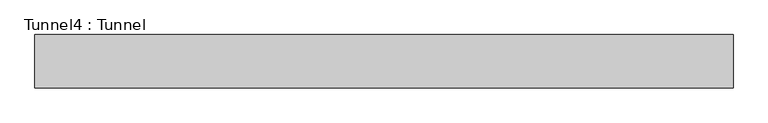
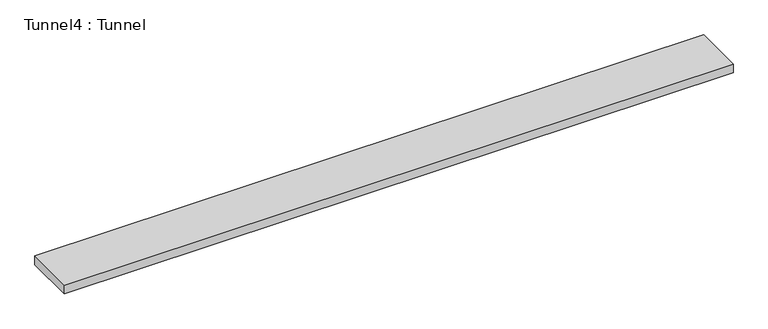
"""IFC4 building model written with IfcOpenShell, lengths in millimetres: proxy geometry, Tunnel4 : Tunnel."""

import ifcopenshell
import ifcopenshell.guid

model = None  # the IFC model being written
_history = None  # IfcOwnerHistory: only IFC2X3 demands one
_inside = {}  # id of a spatial element -> (the spatial element, [elements in it])
_under = {}  # id of a project, library or spatial element -> (it, [spatial elements below it])
_declared = {}  # id of a project -> (the project, [libraries it declares])
_typed = {}  # id of a type object -> (the type object, [elements of that type])
_made_of = {}  # id of a material, layer set ... -> (it, [elements and type objects made of it])


def new_model(schema):
    """Start an empty IFC model of exactly this schema.

    Asked for "IFC4X3", IfcOpenShell would pick the latest addendum, in which some entities
    have other attributes; the version numbers below select the first issue.
    IFC2X3 requires an IfcOwnerHistory on every rooted entity: one is made here for all.
    """
    global model, _history
    if schema == "IFC4X3":
        model = ifcopenshell.file(schema_version=(4, 3, 0, 0))
    else:
        model = ifcopenshell.file(schema=schema)
    _inside.clear()
    _under.clear()
    _declared.clear()
    _typed.clear()
    _made_of.clear()
    _history = None
    if model.schema == "IFC2X3":
        org = make("IfcOrganization", Name="unknown")
        user = make(
            "IfcPersonAndOrganization",
            ThePerson=make("IfcPerson", FamilyName="unknown"),
            TheOrganization=org,
        )
        app = make(
            "IfcApplication",
            ApplicationDeveloper=org,
            Version="unknown",
            ApplicationFullName="unknown",
            ApplicationIdentifier="unknown",
        )
        _history = make(
            "IfcOwnerHistory",
            OwningUser=user,
            OwningApplication=app,
            ChangeAction="ADDED",
            CreationDate=0,
        )
    return model


def make(cls, **values):
    """One entity of the class cls with the attributes given. An attribute that is None is left unset."""
    return model.create_entity(
        cls, **{name: value for name, value in values.items() if value is not None}
    )


def rooted(cls, **values):
    """An entity with a GlobalId (a new one), such as an element, a storey or a relation."""
    return make(cls, GlobalId=ifcopenshell.guid.new(), OwnerHistory=_history, **values)


def si_unit(unit_type, name, prefix=None):
    """IfcSIUnit, for example si_unit("LENGTHUNIT", "METRE", prefix="MILLI")."""
    return make("IfcSIUnit", UnitType=unit_type, Prefix=prefix, Name=name)


def assignment(units):
    """IfcUnitAssignment: the units of a project."""
    return None if units is None else make("IfcUnitAssignment", Units=units)


def point(xyz):
    """IfcCartesianPoint."""
    return None if xyz is None else make("IfcCartesianPoint", Coordinates=xyz)


def direction(xyz):
    """IfcDirection."""
    return None if xyz is None else make("IfcDirection", DirectionRatios=xyz)


def frame(location, z_axis=None, x_axis=None):
    """IfcAxis2Placement3D, a coordinate frame: its origin and axes. An axis left out is left unset."""
    return make(
        "IfcAxis2Placement3D",
        Location=point(location),
        Axis=direction(z_axis),
        RefDirection=direction(x_axis),
    )


def origin():
    """The frame at (0, 0, 0) with its axes left unset."""
    return frame((0.0, 0.0, 0.0))


def place(relative_to, where):
    """IfcLocalPlacement: puts the frame where relative to a parent placement (None: the world)."""
    return make(
        "IfcLocalPlacement", PlacementRelTo=relative_to, RelativePlacement=where
    )


def context(
    kind, dimensions, precision=None, world=None, true_north=None, identifier=None
):
    """IfcGeometricRepresentationContext, for example the 3D "Model" context."""
    return make(
        "IfcGeometricRepresentationContext",
        ContextIdentifier=identifier,
        ContextType=kind,
        CoordinateSpaceDimension=dimensions,
        Precision=precision,
        WorldCoordinateSystem=world,
        TrueNorth=true_north,
    )


def project(units=None, contexts=None):
    """IfcProject with its units and contexts."""
    return rooted(
        "IfcProject",
        Name="project",
        RepresentationContexts=contexts,
        UnitsInContext=assignment(units),
    )


def spatial(cls, under=None, at=None, **own):
    """A site, building, storey or space (cls), placed at a placement, below another one or the project."""
    s = rooted(cls, ObjectPlacement=at, **own)
    if under is not None:
        _under.setdefault(under.id(), (under, []))[1].append(s)
    return s


def polyline(points):
    """IfcPolyline through the points."""
    return make("IfcPolyline", Points=[point(p) for p in points])


def outline(outer, holes=None, kind="AREA"):
    """IfcArbitraryClosedProfileDef: a profile drawn as a closed curve; with holes, ...WithVoids."""
    if holes is None:
        return make("IfcArbitraryClosedProfileDef", ProfileType=kind, OuterCurve=outer)
    return make(
        "IfcArbitraryProfileDefWithVoids",
        ProfileType=kind,
        OuterCurve=outer,
        InnerCurves=holes,
    )


def extrude(swept, where, along, depth):
    """IfcExtrudedAreaSolid: the profile swept, set in the frame where, extruded along a direction by depth."""
    return make(
        "IfcExtrudedAreaSolid",
        SweptArea=swept,
        Position=where,
        ExtrudedDirection=direction(along),
        Depth=depth,
    )


def shape(context_of_items, identifier, shape_type, items):
    """IfcShapeRepresentation: the items that make up one representation, for example the "Body"."""
    return make(
        "IfcShapeRepresentation",
        ContextOfItems=context_of_items,
        RepresentationIdentifier=identifier,
        RepresentationType=shape_type,
        Items=items,
    )


def source(mapping_origin, context_of_items, identifier, shape_type, items):
    """IfcRepresentationMap: a shape defined once, which mapped items show again and again."""
    return make(
        "IfcRepresentationMap",
        MappingOrigin=mapping_origin,
        MappedRepresentation=shape(context_of_items, identifier, shape_type, items),
    )


def transform(
    local_origin,
    x_axis=None,
    y_axis=None,
    z_axis=None,
    scale=None,
    scale2=None,
    scale3=None,
    uniform=True,
):
    """IfcCartesianTransformationOperator3D, or its non-uniform kind. x_axis, y_axis, z_axis: its Axis1, 2, 3."""
    if uniform:
        return make(
            "IfcCartesianTransformationOperator3D",
            Axis1=direction(x_axis),
            Axis2=direction(y_axis),
            LocalOrigin=point(local_origin),
            Scale=scale,
            Axis3=direction(z_axis),
        )
    return make(
        "IfcCartesianTransformationOperator3DnonUniform",
        Axis1=direction(x_axis),
        Axis2=direction(y_axis),
        LocalOrigin=point(local_origin),
        Scale=scale,
        Axis3=direction(z_axis),
        Scale2=scale2,
        Scale3=scale3,
    )


def mapped(mapping_source, mapping_target):
    """IfcMappedItem: shows the shape of a source again, moved by a transform."""
    return make(
        "IfcMappedItem", MappingSource=mapping_source, MappingTarget=mapping_target
    )


def made_of(thing, what):
    """Note that an element or type object is made of a material, layer set ...; save() writes the relation."""
    if what is not None:
        _made_of.setdefault(what.id(), (what, []))[1].append(thing)
    return thing


def element(
    cls,
    number,
    at=None,
    inside=None,
    cuts=None,
    type_object=None,
    material=None,
    context=None,
    identifier="Body",
    shape_type=None,
    held_by="IfcProductDefinitionShape",
    body=None,
    shapes=None,
    **own,
):
    """One element of the class cls, such as IfcWall. Its Tag is "e" and its number.

    at: its placement. inside: the storey or other place that contains it. cuts: it is an
    opening in that element (IfcRelVoidsElement). A single representation is given by context,
    identifier, shape_type and body (its items); several are given by shapes. held_by: the class
    of the entity that holds the representations. save() writes the other relations.
    """
    e = rooted(cls, Tag="e%d" % number, ObjectPlacement=at, **own)
    if body is not None:
        shapes = [shape(context, identifier, shape_type, body)]
    if shapes is not None:
        e.Representation = make(held_by, Representations=shapes)
    if inside is not None:
        _inside.setdefault(inside.id(), (inside, []))[1].append(e)
    if cuts is not None:
        rooted(
            "IfcRelVoidsElement", RelatingBuildingElement=cuts, RelatedOpeningElement=e
        )
    if type_object is not None:
        _typed.setdefault(type_object.id(), (type_object, []))[1].append(e)
    return made_of(e, material)


def aggregate(whole, parts):
    """IfcRelAggregates: a whole, such as a stair, and the parts it consists of."""
    return rooted("IfcRelAggregates", RelatingObject=whole, RelatedObjects=parts)


def save(model, path):
    """Write the relations noted so far, then the file.

    IfcRelAggregates (storeys below a building ...), IfcRelContainedInSpatialStructure (elements
    in a storey), IfcRelDefinesByType, IfcRelAssociatesMaterial and IfcRelDeclares: one each for
    every whole, place, type object, material and project.
    """
    for whole, parts in _under.values():
        aggregate(whole, parts)
    for where, things in _inside.values():
        rooted(
            "IfcRelContainedInSpatialStructure",
            RelatedElements=things,
            RelatingStructure=where,
        )
    for kind, things in _typed.values():
        rooted("IfcRelDefinesByType", RelatedObjects=things, RelatingType=kind)
    for what, things in _made_of.values():
        rooted("IfcRelAssociatesMaterial", RelatedObjects=things, RelatingMaterial=what)
    for by, libraries in _declared.values():
        rooted("IfcRelDeclares", RelatingContext=by, RelatedDefinitions=libraries)
    model.write(path)


def tunnel4_tunnel_45e9df02(model_context):
    return source(origin(), model_context, "Body", "SweptSolid", [
        extrude(outline(polyline([(263110.3001106, 27031.9556164), (263110.3001106, 26752.5556164), (259452.7001106, 26752.5556164), (259452.7001106, 27031.9556164), (263110.3001106, 27031.9556164)])), frame((0.0, 0.0, 863.6), z_axis=(0.0, 0.0, 1.0), x_axis=(1.0, 0.0, 0.0)), (0.0, 0.0, 1.0), 50.8),
    ])


if __name__ == "__main__":
    model = new_model("IFC4")
    model_context = context("Model", 3, world=origin())
    ifc_project = project(units=[si_unit("LENGTHUNIT", "METRE", prefix="MILLI")], contexts=[model_context])
    site = spatial("IfcSite", under=ifc_project)
    building = spatial("IfcBuilding", under=site)
    placement = place(None, origin())
    tunnel4_tunnel_shape = tunnel4_tunnel_45e9df02(model_context)
    element("IfcBuildingElementProxy", 1, Name="Tunnel4 : Tunnel", ObjectType="Tunnel4 : Tunnel", at=placement, inside=building, context=model_context, shape_type="MappedRepresentation", body=[
        mapped(tunnel4_tunnel_shape, transform((0.0, 0.0, 0.0), x_axis=(1.0, 0.0, 0.0), y_axis=(0.0, 1.0, 0.0), z_axis=(0.0, 0.0, 1.0))),
    ])
    save(model, "model.ifc")
